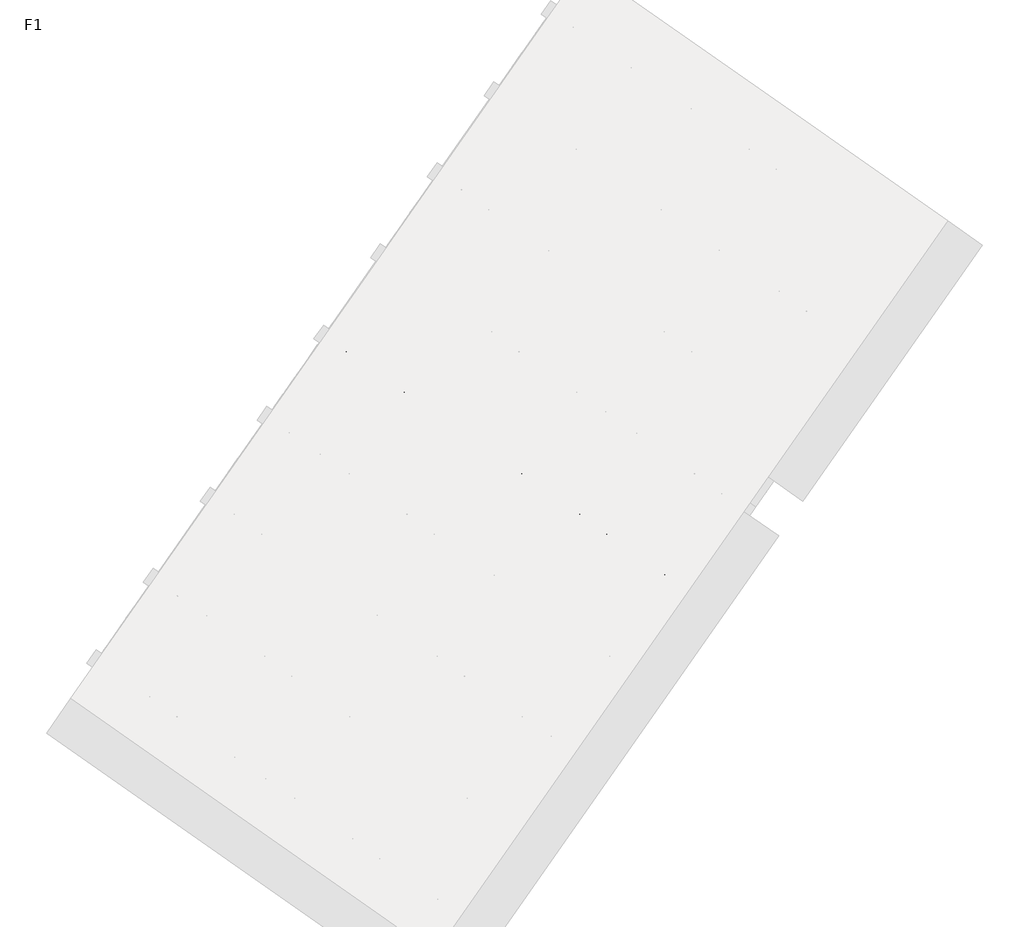
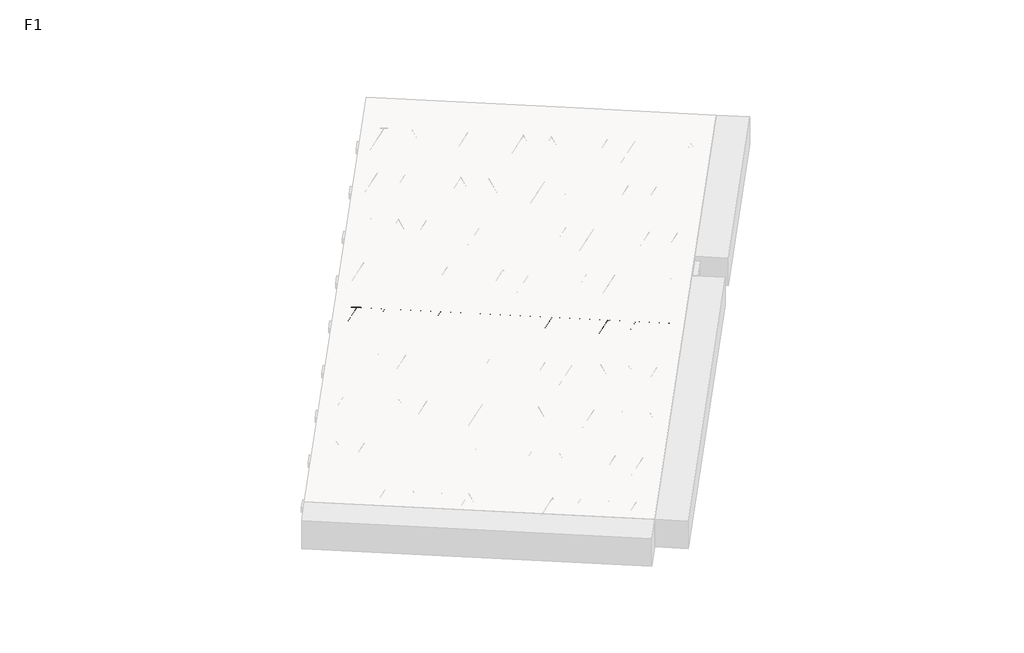
# One storey, part 9 of 30: 1 beam.
"""IFC4 building model written with IfcOpenShell, lengths in millimetres."""

import ifcopenshell
import ifcopenshell.guid

model = None  # the IFC model being written
_history = None  # IfcOwnerHistory: only IFC2X3 demands one
_inside = {}  # id of a spatial element -> (the spatial element, [elements in it])
_under = {}  # id of a project, library or spatial element -> (it, [spatial elements below it])
_declared = {}  # id of a project -> (the project, [libraries it declares])
_typed = {}  # id of a type object -> (the type object, [elements of that type])
_made_of = {}  # id of a material, layer set ... -> (it, [elements and type objects made of it])


def new_model(schema):
    """Start an empty IFC model of exactly this schema.

    Asked for "IFC4X3", IfcOpenShell would pick the latest addendum, in which some entities
    have other attributes; the version numbers below select the first issue.
    IFC2X3 requires an IfcOwnerHistory on every rooted entity: one is made here for all.
    """
    global model, _history
    if schema == "IFC4X3":
        model = ifcopenshell.file(schema_version=(4, 3, 0, 0))
    else:
        model = ifcopenshell.file(schema=schema)
    _inside.clear()
    _under.clear()
    _declared.clear()
    _typed.clear()
    _made_of.clear()
    _history = None
    if model.schema == "IFC2X3":
        org = make("IfcOrganization", Name="unknown")
        user = make(
            "IfcPersonAndOrganization",
            ThePerson=make("IfcPerson", FamilyName="unknown"),
            TheOrganization=org,
        )
        app = make(
            "IfcApplication",
            ApplicationDeveloper=org,
            Version="unknown",
            ApplicationFullName="unknown",
            ApplicationIdentifier="unknown",
        )
        _history = make(
            "IfcOwnerHistory",
            OwningUser=user,
            OwningApplication=app,
            ChangeAction="ADDED",
            CreationDate=0,
        )
    return model


def make(cls, **values):
    """One entity of the class cls with the attributes given. An attribute that is None is left unset."""
    return model.create_entity(
        cls, **{name: value for name, value in values.items() if value is not None}
    )


def rooted(cls, **values):
    """An entity with a GlobalId (a new one), such as an element, a storey or a relation."""
    return make(cls, GlobalId=ifcopenshell.guid.new(), OwnerHistory=_history, **values)


def si_unit(unit_type, name, prefix=None):
    """IfcSIUnit, for example si_unit("LENGTHUNIT", "METRE", prefix="MILLI")."""
    return make("IfcSIUnit", UnitType=unit_type, Prefix=prefix, Name=name)


def assignment(units):
    """IfcUnitAssignment: the units of a project."""
    return None if units is None else make("IfcUnitAssignment", Units=units)


def point(xyz):
    """IfcCartesianPoint."""
    return None if xyz is None else make("IfcCartesianPoint", Coordinates=xyz)


def direction(xyz):
    """IfcDirection."""
    return None if xyz is None else make("IfcDirection", DirectionRatios=xyz)


def frame(location, z_axis=None, x_axis=None):
    """IfcAxis2Placement3D, a coordinate frame: its origin and axes. An axis left out is left unset."""
    return make(
        "IfcAxis2Placement3D",
        Location=point(location),
        Axis=direction(z_axis),
        RefDirection=direction(x_axis),
    )


def frame_2d(location, x_axis=None):
    """IfcAxis2Placement2D, a coordinate frame in the plane: its origin and x axis."""
    return make(
        "IfcAxis2Placement2D", Location=point(location), RefDirection=direction(x_axis)
    )


def origin():
    """The frame at (0, 0, 0) with its axes left unset."""
    return frame((0.0, 0.0, 0.0))


def origin_2d():
    """The frame at (0, 0) in the plane with its x axis left unset."""
    return frame_2d((0.0, 0.0))


def place(relative_to, where):
    """IfcLocalPlacement: puts the frame where relative to a parent placement (None: the world)."""
    return make(
        "IfcLocalPlacement", PlacementRelTo=relative_to, RelativePlacement=where
    )


def context(
    kind, dimensions, precision=None, world=None, true_north=None, identifier=None
):
    """IfcGeometricRepresentationContext, for example the 3D "Model" context."""
    return make(
        "IfcGeometricRepresentationContext",
        ContextIdentifier=identifier,
        ContextType=kind,
        CoordinateSpaceDimension=dimensions,
        Precision=precision,
        WorldCoordinateSystem=world,
        TrueNorth=true_north,
    )


def project(units=None, contexts=None):
    """IfcProject with its units and contexts."""
    return rooted(
        "IfcProject",
        Name="project",
        RepresentationContexts=contexts,
        UnitsInContext=assignment(units),
    )


def spatial(cls, under=None, at=None, **own):
    """A site, building, storey or space (cls), placed at a placement, below another one or the project."""
    s = rooted(cls, ObjectPlacement=at, **own)
    if under is not None:
        _under.setdefault(under.id(), (under, []))[1].append(s)
    return s


def circle_curve(where, radius):
    """IfcCircle in the frame where."""
    return make("IfcCircle", Position=where, Radius=radius)


def trimmed(basis, trim1, trim2, sense, master):
    """IfcTrimmedCurve: the piece of a basis curve between two trims."""
    return make(
        "IfcTrimmedCurve",
        BasisCurve=basis,
        Trim1=trim1,
        Trim2=trim2,
        SenseAgreement=sense,
        MasterRepresentation=master,
    )


def segment(curve, same_sense, transition):
    """IfcCompositeCurveSegment."""
    return make(
        "IfcCompositeCurveSegment",
        Transition=transition,
        SameSense=same_sense,
        ParentCurve=curve,
    )


def composite_curve(segments, self_intersect=None):
    """IfcCompositeCurve: segments joined end to end."""
    return make("IfcCompositeCurve", Segments=segments, SelfIntersect=self_intersect)


def outline(outer, holes=None, kind="AREA"):
    """IfcArbitraryClosedProfileDef: a profile drawn as a closed curve; with holes, ...WithVoids."""
    if holes is None:
        return make("IfcArbitraryClosedProfileDef", ProfileType=kind, OuterCurve=outer)
    return make(
        "IfcArbitraryProfileDefWithVoids",
        ProfileType=kind,
        OuterCurve=outer,
        InnerCurves=holes,
    )


def extrude(swept, where, along, depth):
    """IfcExtrudedAreaSolid: the profile swept, set in the frame where, extruded along a direction by depth."""
    return make(
        "IfcExtrudedAreaSolid",
        SweptArea=swept,
        Position=where,
        ExtrudedDirection=direction(along),
        Depth=depth,
    )


def shape(context_of_items, identifier, shape_type, items):
    """IfcShapeRepresentation: the items that make up one representation, for example the "Body"."""
    return make(
        "IfcShapeRepresentation",
        ContextOfItems=context_of_items,
        RepresentationIdentifier=identifier,
        RepresentationType=shape_type,
        Items=items,
    )


def made_of(thing, what):
    """Note that an element or type object is made of a material, layer set ...; save() writes the relation."""
    if what is not None:
        _made_of.setdefault(what.id(), (what, []))[1].append(thing)
    return thing


def element(
    cls,
    number,
    at=None,
    inside=None,
    cuts=None,
    type_object=None,
    material=None,
    context=None,
    identifier="Body",
    shape_type=None,
    held_by="IfcProductDefinitionShape",
    body=None,
    shapes=None,
    **own,
):
    """One element of the class cls, such as IfcWall. Its Tag is "e" and its number.

    at: its placement. inside: the storey or other place that contains it. cuts: it is an
    opening in that element (IfcRelVoidsElement). A single representation is given by context,
    identifier, shape_type and body (its items); several are given by shapes. held_by: the class
    of the entity that holds the representations. save() writes the other relations.
    """
    e = rooted(cls, Tag="e%d" % number, ObjectPlacement=at, **own)
    if body is not None:
        shapes = [shape(context, identifier, shape_type, body)]
    if shapes is not None:
        e.Representation = make(held_by, Representations=shapes)
    if inside is not None:
        _inside.setdefault(inside.id(), (inside, []))[1].append(e)
    if cuts is not None:
        rooted(
            "IfcRelVoidsElement", RelatingBuildingElement=cuts, RelatedOpeningElement=e
        )
    if type_object is not None:
        _typed.setdefault(type_object.id(), (type_object, []))[1].append(e)
    return made_of(e, material)


def aggregate(whole, parts):
    """IfcRelAggregates: a whole, such as a stair, and the parts it consists of."""
    return rooted("IfcRelAggregates", RelatingObject=whole, RelatedObjects=parts)


def save(model, path):
    """Write the relations noted so far, then the file.

    IfcRelAggregates (storeys below a building ...), IfcRelContainedInSpatialStructure (elements
    in a storey), IfcRelDefinesByType, IfcRelAssociatesMaterial and IfcRelDeclares: one each for
    every whole, place, type object, material and project.
    """
    for whole, parts in _under.values():
        aggregate(whole, parts)
    for where, things in _inside.values():
        rooted(
            "IfcRelContainedInSpatialStructure",
            RelatedElements=things,
            RelatingStructure=where,
        )
    for kind, things in _typed.values():
        rooted("IfcRelDefinesByType", RelatedObjects=things, RelatingType=kind)
    for what, things in _made_of.values():
        rooted("IfcRelAssociatesMaterial", RelatedObjects=things, RelatingMaterial=what)
    for by, libraries in _declared.values():
        rooted("IfcRelDeclares", RelatingContext=by, RelatedDefinitions=libraries)
    model.write(path)


model = new_model("IFC4")

# Units and contexts
model_context = context("Model", 3, world=origin())
ifc_project = project(units=[si_unit("LENGTHUNIT", "METRE", prefix="MILLI")], contexts=[model_context])

# Site, building, storey
site = spatial("IfcSite", under=ifc_project)
building = spatial("IfcBuilding", under=site)
storey = spatial("IfcBuildingStorey", under=building, Name="F1", Elevation=99520.0)

# Beam
placement = place(None, origin())
element("IfcBeam", 1, at=placement, inside=storey, context=model_context, shape_type="SweptSolid", body=[
    extrude(outline(composite_curve([segment(trimmed(circle_curve(origin_2d(), 2.5), [point((-2.5, 0.0))], [point((2.5, 0.0))], False, "CARTESIAN"), True, "CONTINUOUS"), segment(trimmed(circle_curve(origin_2d(), 2.5), [point((2.5, 0.0))], [point((-2.5, 0.0))], False, "CARTESIAN"), True, "CONTINUOUS")], self_intersect=False)), frame((8675.1774688, -3371.2852147, 99745.0), z_axis=(-0.8191520442696126, 0.5735764363787226, 0.0), x_axis=(0.5735764363787226, 0.8191520442696126, 0.0)), (0.0, 0.0, 1.0), 3192.0),
    extrude(outline(composite_curve([segment(trimmed(circle_curve(origin_2d(), 2.5), [point((-2.5, 0.0))], [point((2.5000001, 0.0))], False, "CARTESIAN"), True, "CONTINUOUS"), segment(trimmed(circle_curve(origin_2d(), 2.5), [point((2.5000001, 0.0))], [point((-2.5, 0.0))], False, "CARTESIAN"), True, "CONTINUOUS")], self_intersect=False)), frame((8555.751221, -3243.7141705, 99970.0), z_axis=(-0.8191520442696126, 0.5735764363787226, 0.0), x_axis=(0.5735764363787226, 0.8191520442696126, 0.0)), (0.0, 0.0, 1.0), 2850.0),
    extrude(outline(composite_curve([segment(trimmed(circle_curve(origin_2d(), 2.5), [point((-2.5, 0.0))], [point((2.5, 0.0))], False, "CARTESIAN"), True, "CONTINUOUS"), segment(trimmed(circle_curve(origin_2d(), 2.5), [point((2.5, 0.0))], [point((-2.5, 0.0))], False, "CARTESIAN"), True, "CONTINUOUS")], self_intersect=False)), frame((8596.5388726, -3316.2218768, 99745.0), z_axis=(-0.3145304735701046, 0.38933448886848654, 0.8657304643902053), x_axis=(0.7778747638402499, 0.6284193279813057, 0.0)), (0.0, 0.0, 1.0), 259.8961331),
    extrude(outline(composite_curve([segment(trimmed(circle_curve(origin_2d(), 2.5), [point((2.5, 0.0))], [point((-2.5, 0.0))], False, "CARTESIAN"), True, "CONTINUOUS"), segment(trimmed(circle_curve(origin_2d(), 2.5), [point((-2.5, 0.0))], [point((2.5, 0.0))], False, "CARTESIAN"), True, "CONTINUOUS")], self_intersect=False)), frame((8391.7508615, -3172.8277677, 99745.0), z_axis=(0.47343050384693375, -0.16240172737369005, 0.8657304643902051), x_axis=(-0.3244721671091268, -0.9458952440791246, 0.0)), (0.0, 0.0, 1.0), 259.8961331),
    extrude(outline(composite_curve([segment(trimmed(circle_curve(origin_2d(), 2.5), [point((-2.5, 0.0))], [point((2.5, 0.0))], False, "CARTESIAN"), True, "CONTINUOUS"), segment(trimmed(circle_curve(origin_2d(), 2.5), [point((2.5, 0.0))], [point((-2.5, 0.0))], False, "CARTESIAN"), True, "CONTINUOUS")], self_intersect=False)), frame((8391.7508615, -3172.8277677, 99745.0), z_axis=(-0.3145304735701046, 0.38933448886848654, 0.8657304643902053), x_axis=(0.7778747638402499, 0.6284193279813057, 0.0)), (0.0, 0.0, 1.0), 259.8961331),
    extrude(outline(composite_curve([segment(trimmed(circle_curve(origin_2d(), 2.5), [point((2.5, 0.0))], [point((-2.5, 1e-07))], False, "CARTESIAN"), True, "CONTINUOUS"), segment(trimmed(circle_curve(origin_2d(), 2.5), [point((-2.5, 1e-07))], [point((2.5, 0.0))], False, "CARTESIAN"), True, "CONTINUOUS")], self_intersect=False)), frame((8186.9628504, -3029.4336586, 99745.0), z_axis=(0.47343050384693375, -0.16240172737369005, 0.8657304643902051), x_axis=(-0.3244721671091268, -0.9458952440791246, 0.0)), (0.0, 0.0, 1.0), 259.8961331),
    extrude(outline(composite_curve([segment(trimmed(circle_curve(origin_2d(), 2.5), [point((-2.5, 0.0))], [point((2.5, 0.0))], False, "CARTESIAN"), True, "CONTINUOUS"), segment(trimmed(circle_curve(origin_2d(), 2.5), [point((2.5, 0.0))], [point((-2.5, 0.0))], False, "CARTESIAN"), True, "CONTINUOUS")], self_intersect=False)), frame((8186.9628504, -3029.4336586, 99745.0), z_axis=(-0.3145304735701046, 0.38933448886848654, 0.8657304643902053), x_axis=(0.7778747638402499, 0.6284193279813057, 0.0)), (0.0, 0.0, 1.0), 259.8961331),
    extrude(outline(composite_curve([segment(trimmed(circle_curve(origin_2d(), 2.5), [point((2.5, 0.0))], [point((-2.5, 0.0))], False, "CARTESIAN"), True, "CONTINUOUS"), segment(trimmed(circle_curve(origin_2d(), 2.5), [point((-2.5, 0.0))], [point((2.5, 0.0))], False, "CARTESIAN"), True, "CONTINUOUS")], self_intersect=False)), frame((7982.1748394, -2886.0395495, 99745.0), z_axis=(0.47343050384693375, -0.16240172737369005, 0.8657304643902051), x_axis=(-0.3244721671091268, -0.9458952440791246, 0.0)), (0.0, 0.0, 1.0), 259.8961331),
    extrude(outline(composite_curve([segment(trimmed(circle_curve(origin_2d(), 2.5), [point((-2.5, 0.0))], [point((2.5, 0.0))], False, "CARTESIAN"), True, "CONTINUOUS"), segment(trimmed(circle_curve(origin_2d(), 2.5), [point((2.5, 0.0))], [point((-2.5, 0.0))], False, "CARTESIAN"), True, "CONTINUOUS")], self_intersect=False)), frame((7982.1748394, -2886.0395495, 99745.0), z_axis=(-0.3145304735701046, 0.38933448886848654, 0.8657304643902053), x_axis=(0.7778747638402499, 0.6284193279813057, 0.0)), (0.0, 0.0, 1.0), 259.8961331),
    extrude(outline(composite_curve([segment(trimmed(circle_curve(origin_2d(), 2.5), [point((2.5, 0.0))], [point((-2.5, 0.0))], False, "CARTESIAN"), True, "CONTINUOUS"), segment(trimmed(circle_curve(origin_2d(), 2.5), [point((-2.5, 0.0))], [point((2.5, 0.0))], False, "CARTESIAN"), True, "CONTINUOUS")], self_intersect=False)), frame((7777.3868283, -2742.6454404, 99745.0), z_axis=(0.47343050384693375, -0.16240172737369005, 0.8657304643902051), x_axis=(-0.3244721671091268, -0.9458952440791246, 0.0)), (0.0, 0.0, 1.0), 259.8961331),
    extrude(outline(composite_curve([segment(trimmed(circle_curve(origin_2d(), 2.5), [point((-2.5, 0.0))], [point((2.5, 0.0))], False, "CARTESIAN"), True, "CONTINUOUS"), segment(trimmed(circle_curve(origin_2d(), 2.5), [point((2.5, 0.0))], [point((-2.5, 0.0))], False, "CARTESIAN"), True, "CONTINUOUS")], self_intersect=False)), frame((7777.3868283, -2742.6454404, 99745.0), z_axis=(-0.3145304735701046, 0.38933448886848654, 0.8657304643902053), x_axis=(0.7778747638402499, 0.6284193279813057, 0.0)), (0.0, 0.0, 1.0), 259.8961331),
    extrude(outline(composite_curve([segment(trimmed(circle_curve(origin_2d(), 2.5), [point((2.5, 0.0))], [point((-2.5, 1e-07))], False, "CARTESIAN"), True, "CONTINUOUS"), segment(trimmed(circle_curve(origin_2d(), 2.5), [point((-2.5, 1e-07))], [point((2.5, 0.0))], False, "CARTESIAN"), True, "CONTINUOUS")], self_intersect=False)), frame((7572.5988172, -2599.2513313, 99745.0), z_axis=(0.47343050384693375, -0.16240172737369005, 0.8657304643902051), x_axis=(-0.3244721671091268, -0.9458952440791246, 0.0)), (0.0, 0.0, 1.0), 259.8961331),
    extrude(outline(composite_curve([segment(trimmed(circle_curve(origin_2d(), 2.5), [point((-2.5, 0.0))], [point((2.5, 0.0))], False, "CARTESIAN"), True, "CONTINUOUS"), segment(trimmed(circle_curve(origin_2d(), 2.5), [point((2.5, 0.0))], [point((-2.5, 0.0))], False, "CARTESIAN"), True, "CONTINUOUS")], self_intersect=False)), frame((7572.5988172, -2599.2513313, 99745.0), z_axis=(-0.3145304735701046, 0.38933448886848654, 0.8657304643902053), x_axis=(0.7778747638402499, 0.6284193279813057, 0.0)), (0.0, 0.0, 1.0), 259.8961331),
    extrude(outline(composite_curve([segment(trimmed(circle_curve(origin_2d(), 2.5), [point((2.5, 0.0))], [point((-2.5, 0.0))], False, "CARTESIAN"), True, "CONTINUOUS"), segment(trimmed(circle_curve(origin_2d(), 2.5), [point((-2.5, 0.0))], [point((2.5, 0.0))], False, "CARTESIAN"), True, "CONTINUOUS")], self_intersect=False)), frame((7367.8108062, -2455.8572222, 99745.0), z_axis=(0.47343050384693375, -0.16240172737369005, 0.8657304643902051), x_axis=(-0.3244721671091268, -0.9458952440791246, 0.0)), (0.0, 0.0, 1.0), 259.8961331),
    extrude(outline(composite_curve([segment(trimmed(circle_curve(origin_2d(), 2.5), [point((-2.5, 0.0))], [point((2.5, 0.0))], False, "CARTESIAN"), True, "CONTINUOUS"), segment(trimmed(circle_curve(origin_2d(), 2.5), [point((2.5, 0.0))], [point((-2.5, 0.0))], False, "CARTESIAN"), True, "CONTINUOUS")], self_intersect=False)), frame((7367.8108062, -2455.8572222, 99745.0), z_axis=(-0.3145304735701046, 0.38933448886848654, 0.8657304643902053), x_axis=(0.7778747638402499, 0.6284193279813057, 0.0)), (0.0, 0.0, 1.0), 259.8961331),
    extrude(outline(composite_curve([segment(trimmed(circle_curve(origin_2d(), 2.5), [point((2.5, 0.0))], [point((-2.5, 0.0))], False, "CARTESIAN"), True, "CONTINUOUS"), segment(trimmed(circle_curve(origin_2d(), 2.5), [point((-2.5, 0.0))], [point((2.5, 0.0))], False, "CARTESIAN"), True, "CONTINUOUS")], self_intersect=False)), frame((7163.0227951, -2312.4631131, 99745.0), z_axis=(0.47343050384693375, -0.16240172737369005, 0.8657304643902051), x_axis=(-0.3244721671091268, -0.9458952440791246, 0.0)), (0.0, 0.0, 1.0), 259.8961331),
    extrude(outline(composite_curve([segment(trimmed(circle_curve(origin_2d(), 2.5), [point((-2.5, 0.0))], [point((2.5, 0.0))], False, "CARTESIAN"), True, "CONTINUOUS"), segment(trimmed(circle_curve(origin_2d(), 2.5), [point((2.5, 0.0))], [point((-2.5, 0.0))], False, "CARTESIAN"), True, "CONTINUOUS")], self_intersect=False)), frame((7163.0227951, -2312.4631131, 99745.0), z_axis=(-0.3145304735701046, 0.38933448886848654, 0.8657304643902053), x_axis=(0.7778747638402499, 0.6284193279813057, 0.0)), (0.0, 0.0, 1.0), 259.8961331),
    extrude(outline(composite_curve([segment(trimmed(circle_curve(origin_2d(), 2.5), [point((2.5, 0.0))], [point((-2.5, 1e-07))], False, "CARTESIAN"), True, "CONTINUOUS"), segment(trimmed(circle_curve(origin_2d(), 2.5), [point((-2.5, 1e-07))], [point((2.5, 0.0))], False, "CARTESIAN"), True, "CONTINUOUS")], self_intersect=False)), frame((6958.234784, -2169.069004, 99745.0), z_axis=(0.47343050384693375, -0.16240172737369005, 0.8657304643902051), x_axis=(-0.3244721671091268, -0.9458952440791246, 0.0)), (0.0, 0.0, 1.0), 259.8961331),
    extrude(outline(composite_curve([segment(trimmed(circle_curve(origin_2d(), 2.5), [point((-2.5, 0.0))], [point((2.5, 0.0))], False, "CARTESIAN"), True, "CONTINUOUS"), segment(trimmed(circle_curve(origin_2d(), 2.5), [point((2.5, 0.0))], [point((-2.5, 0.0))], False, "CARTESIAN"), True, "CONTINUOUS")], self_intersect=False)), frame((6958.234784, -2169.069004, 99745.0), z_axis=(-0.3145304735701046, 0.38933448886848654, 0.8657304643902053), x_axis=(0.7778747638402499, 0.6284193279813057, 0.0)), (0.0, 0.0, 1.0), 259.8961331),
    extrude(outline(composite_curve([segment(trimmed(circle_curve(origin_2d(), 2.5), [point((2.5, -1e-07))], [point((-2.5, 0.0))], False, "CARTESIAN"), True, "CONTINUOUS"), segment(trimmed(circle_curve(origin_2d(), 2.5), [point((-2.5, 0.0))], [point((2.5, -1e-07))], False, "CARTESIAN"), True, "CONTINUOUS")], self_intersect=False)), frame((6753.446773, -2025.6748949, 99745.0), z_axis=(0.47343050384693375, -0.16240172737369005, 0.8657304643902051), x_axis=(-0.3244721671091268, -0.9458952440791246, 0.0)), (0.0, 0.0, 1.0), 259.8961331),
    extrude(outline(composite_curve([segment(trimmed(circle_curve(origin_2d(), 2.5), [point((-2.5, -1e-07))], [point((2.5, 0.0))], False, "CARTESIAN"), True, "CONTINUOUS"), segment(trimmed(circle_curve(origin_2d(), 2.5), [point((2.5, 0.0))], [point((-2.5, -1e-07))], False, "CARTESIAN"), True, "CONTINUOUS")], self_intersect=False)), frame((6753.446773, -2025.6748949, 99745.0), z_axis=(-0.3145304735701046, 0.38933448886848654, 0.8657304643902053), x_axis=(0.7778747638402499, 0.6284193279813057, 0.0)), (0.0, 0.0, 1.0), 259.8961331),
    extrude(outline(composite_curve([segment(trimmed(circle_curve(origin_2d(), 2.5), [point((2.5, 0.0))], [point((-2.5, 0.0))], False, "CARTESIAN"), True, "CONTINUOUS"), segment(trimmed(circle_curve(origin_2d(), 2.5), [point((-2.5, 0.0))], [point((2.5, 0.0))], False, "CARTESIAN"), True, "CONTINUOUS")], self_intersect=False)), frame((6548.6587619, -1882.2807858, 99745.0), z_axis=(0.47343050384693375, -0.16240172737369005, 0.8657304643902051), x_axis=(-0.3244721671091268, -0.9458952440791246, 0.0)), (0.0, 0.0, 1.0), 259.8961331),
    extrude(outline(composite_curve([segment(trimmed(circle_curve(origin_2d(), 2.5), [point((-2.5, -1e-07))], [point((2.5, 0.0))], False, "CARTESIAN"), True, "CONTINUOUS"), segment(trimmed(circle_curve(origin_2d(), 2.5), [point((2.5, 0.0))], [point((-2.5, -1e-07))], False, "CARTESIAN"), True, "CONTINUOUS")], self_intersect=False)), frame((6548.6587619, -1882.2807858, 99745.0), z_axis=(-0.3145304735701046, 0.38933448886848654, 0.8657304643902053), x_axis=(0.7778747638402499, 0.6284193279813057, 0.0)), (0.0, 0.0, 1.0), 259.8961331),
    extrude(outline(composite_curve([segment(trimmed(circle_curve(origin_2d(), 2.5), [point((2.5000001, 0.0))], [point((-2.5, 0.0))], False, "CARTESIAN"), True, "CONTINUOUS"), segment(trimmed(circle_curve(origin_2d(), 2.5), [point((-2.5, 0.0))], [point((2.5000001, 0.0))], False, "CARTESIAN"), True, "CONTINUOUS")], self_intersect=False)), frame((6343.8707508, -1738.8866767, 99745.0), z_axis=(0.47343050384693375, -0.16240172737369005, 0.8657304643902051), x_axis=(-0.3244721671091268, -0.9458952440791246, 0.0)), (0.0, 0.0, 1.0), 259.8961331),
    extrude(outline(composite_curve([segment(trimmed(circle_curve(origin_2d(), 2.5), [point((-2.5, -1e-07))], [point((2.5, 0.0))], False, "CARTESIAN"), True, "CONTINUOUS"), segment(trimmed(circle_curve(origin_2d(), 2.5), [point((2.5, 0.0))], [point((-2.5, -1e-07))], False, "CARTESIAN"), True, "CONTINUOUS")], self_intersect=False)), frame((6343.8707508, -1738.8866767, 99745.0), z_axis=(-0.3145304735701046, 0.38933448886848654, 0.8657304643902053), x_axis=(0.7778747638402499, 0.6284193279813057, 0.0)), (0.0, 0.0, 1.0), 259.8961331),
    extrude(outline(composite_curve([segment(trimmed(circle_curve(origin_2d(), 2.5), [point((2.5000001, 0.0))], [point((-2.5, 0.0))], False, "CARTESIAN"), True, "CONTINUOUS"), segment(trimmed(circle_curve(origin_2d(), 2.5), [point((-2.5, 0.0))], [point((2.5000001, 0.0))], False, "CARTESIAN"), True, "CONTINUOUS")], self_intersect=False)), frame((6139.0827398, -1595.4925676, 99745.0), z_axis=(0.47343050384693375, -0.16240172737369005, 0.8657304643902051), x_axis=(-0.3244721671091268, -0.9458952440791246, 0.0)), (0.0, 0.0, 1.0), 259.8961331),
    extrude(outline(composite_curve([segment(trimmed(circle_curve(origin_2d(), 2.5), [point((-2.5, 0.0))], [point((2.5, 0.0))], False, "CARTESIAN"), True, "CONTINUOUS"), segment(trimmed(circle_curve(origin_2d(), 2.5), [point((2.5, 0.0))], [point((-2.5, 0.0))], False, "CARTESIAN"), True, "CONTINUOUS")], self_intersect=False)), frame((8716.4749722, -3312.3062675, 99745.0), z_axis=(-0.8191520442696126, 0.5735764363787226, 0.0), x_axis=(0.5735764363787226, 0.8191520442696126, 0.0)), (0.0, 0.0, 1.0), 3192.0),
    extrude(outline(composite_curve([segment(trimmed(circle_curve(origin_2d(), 2.5), [point((-2.5, 0.0))], [point((2.5, 0.0))], False, "CARTESIAN"), True, "CONTINUOUS"), segment(trimmed(circle_curve(origin_2d(), 2.5), [point((2.5, 0.0))], [point((-2.5, 0.0))], False, "CARTESIAN"), True, "CONTINUOUS")], self_intersect=False)), frame((8637.836376, -3257.2429296, 99745.0), z_axis=(-0.47343050384693375, 0.16240172737369005, 0.8657304643902051), x_axis=(0.3244721671091268, 0.9458952440791246, 0.0)), (0.0, 0.0, 1.0), 259.8961331),
    extrude(outline(composite_curve([segment(trimmed(circle_curve(origin_2d(), 2.5), [point((2.5, 0.0))], [point((-2.5, 0.0))], False, "CARTESIAN"), True, "CONTINUOUS"), segment(trimmed(circle_curve(origin_2d(), 2.5), [point((-2.5, 0.0))], [point((2.5, 0.0))], False, "CARTESIAN"), True, "CONTINUOUS")], self_intersect=False)), frame((8433.0483649, -3113.8488205, 99745.0), z_axis=(0.3145304735701046, -0.38933448886848654, 0.8657304643902053), x_axis=(-0.7778747638402499, -0.6284193279813057, 0.0)), (0.0, 0.0, 1.0), 259.8961331),
    extrude(outline(composite_curve([segment(trimmed(circle_curve(origin_2d(), 2.5), [point((-2.5, 0.0))], [point((2.5, 0.0))], False, "CARTESIAN"), True, "CONTINUOUS"), segment(trimmed(circle_curve(origin_2d(), 2.5), [point((2.5, 0.0))], [point((-2.5, 0.0))], False, "CARTESIAN"), True, "CONTINUOUS")], self_intersect=False)), frame((8433.0483649, -3113.8488205, 99745.0), z_axis=(-0.47343050384693375, 0.16240172737369005, 0.8657304643902051), x_axis=(0.3244721671091268, 0.9458952440791246, 0.0)), (0.0, 0.0, 1.0), 259.8961331),
    extrude(outline(composite_curve([segment(trimmed(circle_curve(origin_2d(), 2.5), [point((2.5000001, -1e-07))], [point((-2.5, 0.0))], False, "CARTESIAN"), True, "CONTINUOUS"), segment(trimmed(circle_curve(origin_2d(), 2.5), [point((-2.5, 0.0))], [point((2.5000001, -1e-07))], False, "CARTESIAN"), True, "CONTINUOUS")], self_intersect=False)), frame((8228.2603539, -2970.4547114, 99745.0), z_axis=(0.3145304735701046, -0.38933448886848654, 0.8657304643902053), x_axis=(-0.7778747638402499, -0.6284193279813057, 0.0)), (0.0, 0.0, 1.0), 259.8961331),
    extrude(outline(composite_curve([segment(trimmed(circle_curve(origin_2d(), 2.5), [point((-2.5, 1e-07))], [point((2.5, 0.0))], False, "CARTESIAN"), True, "CONTINUOUS"), segment(trimmed(circle_curve(origin_2d(), 2.5), [point((2.5, 0.0))], [point((-2.5, 1e-07))], False, "CARTESIAN"), True, "CONTINUOUS")], self_intersect=False)), frame((8228.2603539, -2970.4547114, 99745.0), z_axis=(-0.47343050384693375, 0.16240172737369005, 0.8657304643902051), x_axis=(0.3244721671091268, 0.9458952440791246, 0.0)), (0.0, 0.0, 1.0), 259.8961331),
    extrude(outline(composite_curve([segment(trimmed(circle_curve(origin_2d(), 2.5), [point((2.5, 0.0))], [point((-2.5, 0.0))], False, "CARTESIAN"), True, "CONTINUOUS"), segment(trimmed(circle_curve(origin_2d(), 2.5), [point((-2.5, 0.0))], [point((2.5, 0.0))], False, "CARTESIAN"), True, "CONTINUOUS")], self_intersect=False)), frame((8023.4723428, -2827.0606023, 99745.0), z_axis=(0.3145304735701046, -0.38933448886848654, 0.8657304643902053), x_axis=(-0.7778747638402499, -0.6284193279813057, 0.0)), (0.0, 0.0, 1.0), 259.8961331),
    extrude(outline(composite_curve([segment(trimmed(circle_curve(origin_2d(), 2.5), [point((-2.5, 0.0))], [point((2.5, 0.0))], False, "CARTESIAN"), True, "CONTINUOUS"), segment(trimmed(circle_curve(origin_2d(), 2.5), [point((2.5, 0.0))], [point((-2.5, 0.0))], False, "CARTESIAN"), True, "CONTINUOUS")], self_intersect=False)), frame((8023.4723428, -2827.0606023, 99745.0), z_axis=(-0.47343050384693375, 0.16240172737369005, 0.8657304643902051), x_axis=(0.3244721671091268, 0.9458952440791246, 0.0)), (0.0, 0.0, 1.0), 259.8961331),
    extrude(outline(composite_curve([segment(trimmed(circle_curve(origin_2d(), 2.5), [point((2.5, 0.0))], [point((-2.5, 0.0))], False, "CARTESIAN"), True, "CONTINUOUS"), segment(trimmed(circle_curve(origin_2d(), 2.5), [point((-2.5, 0.0))], [point((2.5, 0.0))], False, "CARTESIAN"), True, "CONTINUOUS")], self_intersect=False)), frame((7818.6843317, -2683.6664932, 99745.0), z_axis=(0.3145304735701046, -0.38933448886848654, 0.8657304643902053), x_axis=(-0.7778747638402499, -0.6284193279813057, 0.0)), (0.0, 0.0, 1.0), 259.8961331),
    extrude(outline(composite_curve([segment(trimmed(circle_curve(origin_2d(), 2.5), [point((-2.5, 0.0))], [point((2.5, 0.0))], False, "CARTESIAN"), True, "CONTINUOUS"), segment(trimmed(circle_curve(origin_2d(), 2.5), [point((2.5, 0.0))], [point((-2.5, 0.0))], False, "CARTESIAN"), True, "CONTINUOUS")], self_intersect=False)), frame((7818.6843317, -2683.6664932, 99745.0), z_axis=(-0.47343050384693375, 0.16240172737369005, 0.8657304643902051), x_axis=(0.3244721671091268, 0.9458952440791246, 0.0)), (0.0, 0.0, 1.0), 259.8961331),
    extrude(outline(composite_curve([segment(trimmed(circle_curve(origin_2d(), 2.5), [point((2.5000001, -1e-07))], [point((-2.5, 0.0))], False, "CARTESIAN"), True, "CONTINUOUS"), segment(trimmed(circle_curve(origin_2d(), 2.5), [point((-2.5, 0.0))], [point((2.5000001, -1e-07))], False, "CARTESIAN"), True, "CONTINUOUS")], self_intersect=False)), frame((7613.8963207, -2540.2723841, 99745.0), z_axis=(0.3145304735701046, -0.38933448886848654, 0.8657304643902053), x_axis=(-0.7778747638402499, -0.6284193279813057, 0.0)), (0.0, 0.0, 1.0), 259.8961331),
    extrude(outline(composite_curve([segment(trimmed(circle_curve(origin_2d(), 2.5), [point((-2.5, 1e-07))], [point((2.5, 0.0))], False, "CARTESIAN"), True, "CONTINUOUS"), segment(trimmed(circle_curve(origin_2d(), 2.5), [point((2.5, 0.0))], [point((-2.5, 1e-07))], False, "CARTESIAN"), True, "CONTINUOUS")], self_intersect=False)), frame((7613.8963207, -2540.2723841, 99745.0), z_axis=(-0.47343050384693375, 0.16240172737369005, 0.8657304643902051), x_axis=(0.3244721671091268, 0.9458952440791246, 0.0)), (0.0, 0.0, 1.0), 259.8961331),
    extrude(outline(composite_curve([segment(trimmed(circle_curve(origin_2d(), 2.5), [point((2.5, 0.0))], [point((-2.5, 0.0))], False, "CARTESIAN"), True, "CONTINUOUS"), segment(trimmed(circle_curve(origin_2d(), 2.5), [point((-2.5, 0.0))], [point((2.5, 0.0))], False, "CARTESIAN"), True, "CONTINUOUS")], self_intersect=False)), frame((7409.1083096, -2396.878275, 99745.0), z_axis=(0.3145304735701046, -0.38933448886848654, 0.8657304643902053), x_axis=(-0.7778747638402499, -0.6284193279813057, 0.0)), (0.0, 0.0, 1.0), 259.8961331),
    extrude(outline(composite_curve([segment(trimmed(circle_curve(origin_2d(), 2.5), [point((-2.5, 0.0))], [point((2.5, 0.0))], False, "CARTESIAN"), True, "CONTINUOUS"), segment(trimmed(circle_curve(origin_2d(), 2.5), [point((2.5, 0.0))], [point((-2.5, 0.0))], False, "CARTESIAN"), True, "CONTINUOUS")], self_intersect=False)), frame((7409.1083096, -2396.878275, 99745.0), z_axis=(-0.47343050384693375, 0.16240172737369005, 0.8657304643902051), x_axis=(0.3244721671091268, 0.9458952440791246, 0.0)), (0.0, 0.0, 1.0), 259.8961331),
    extrude(outline(composite_curve([segment(trimmed(circle_curve(origin_2d(), 2.5), [point((2.5, 1e-07))], [point((-2.5, 0.0))], False, "CARTESIAN"), True, "CONTINUOUS"), segment(trimmed(circle_curve(origin_2d(), 2.5), [point((-2.5, 0.0))], [point((2.5, 1e-07))], False, "CARTESIAN"), True, "CONTINUOUS")], self_intersect=False)), frame((7204.3202985, -2253.4841659, 99745.0), z_axis=(0.3145304735701046, -0.38933448886848654, 0.8657304643902053), x_axis=(-0.7778747638402499, -0.6284193279813057, 0.0)), (0.0, 0.0, 1.0), 259.8961331),
    extrude(outline(composite_curve([segment(trimmed(circle_curve(origin_2d(), 2.5), [point((-2.5, 0.0))], [point((2.5, 0.0))], False, "CARTESIAN"), True, "CONTINUOUS"), segment(trimmed(circle_curve(origin_2d(), 2.5), [point((2.5, 0.0))], [point((-2.5, 0.0))], False, "CARTESIAN"), True, "CONTINUOUS")], self_intersect=False)), frame((7204.3202985, -2253.4841659, 99745.0), z_axis=(-0.47343050384693375, 0.16240172737369005, 0.8657304643902051), x_axis=(0.3244721671091268, 0.9458952440791246, 0.0)), (0.0, 0.0, 1.0), 259.8961331),
    extrude(outline(composite_curve([segment(trimmed(circle_curve(origin_2d(), 2.5), [point((2.5000001, 0.0))], [point((-2.5, 0.0))], False, "CARTESIAN"), True, "CONTINUOUS"), segment(trimmed(circle_curve(origin_2d(), 2.5), [point((-2.5, 0.0))], [point((2.5000001, 0.0))], False, "CARTESIAN"), True, "CONTINUOUS")], self_intersect=False)), frame((6999.5322875, -2110.0900568, 99745.0), z_axis=(0.3145304735701046, -0.38933448886848654, 0.8657304643902053), x_axis=(-0.7778747638402499, -0.6284193279813057, 0.0)), (0.0, 0.0, 1.0), 259.8961331),
    extrude(outline(composite_curve([segment(trimmed(circle_curve(origin_2d(), 2.5), [point((-2.5, 1e-07))], [point((2.5, 0.0))], False, "CARTESIAN"), True, "CONTINUOUS"), segment(trimmed(circle_curve(origin_2d(), 2.5), [point((2.5, 0.0))], [point((-2.5, 1e-07))], False, "CARTESIAN"), True, "CONTINUOUS")], self_intersect=False)), frame((6999.5322875, -2110.0900568, 99745.0), z_axis=(-0.47343050384693375, 0.16240172737369005, 0.8657304643902051), x_axis=(0.3244721671091268, 0.9458952440791246, 0.0)), (0.0, 0.0, 1.0), 259.8961331),
    extrude(outline(composite_curve([segment(trimmed(circle_curve(origin_2d(), 2.5), [point((2.5, 1e-07))], [point((-2.5, 0.0))], False, "CARTESIAN"), True, "CONTINUOUS"), segment(trimmed(circle_curve(origin_2d(), 2.5), [point((-2.5, 0.0))], [point((2.5, 1e-07))], False, "CARTESIAN"), True, "CONTINUOUS")], self_intersect=False)), frame((6794.7442764, -1966.6959477, 99745.0), z_axis=(0.3145304735701046, -0.38933448886848654, 0.8657304643902053), x_axis=(-0.7778747638402499, -0.6284193279813057, 0.0)), (0.0, 0.0, 1.0), 259.8961331),
    extrude(outline(composite_curve([segment(trimmed(circle_curve(origin_2d(), 2.5), [point((-2.5000001, 0.0))], [point((2.5, 0.0))], False, "CARTESIAN"), True, "CONTINUOUS"), segment(trimmed(circle_curve(origin_2d(), 2.5), [point((2.5, 0.0))], [point((-2.5000001, 0.0))], False, "CARTESIAN"), True, "CONTINUOUS")], self_intersect=False)), frame((6794.7442764, -1966.6959477, 99745.0), z_axis=(-0.47343050384693375, 0.16240172737369005, 0.8657304643902051), x_axis=(0.3244721671091268, 0.9458952440791246, 0.0)), (0.0, 0.0, 1.0), 259.8961331),
    extrude(outline(composite_curve([segment(trimmed(circle_curve(origin_2d(), 2.5), [point((2.5, 1e-07))], [point((-2.5, 0.0))], False, "CARTESIAN"), True, "CONTINUOUS"), segment(trimmed(circle_curve(origin_2d(), 2.5), [point((-2.5, 0.0))], [point((2.5, 1e-07))], False, "CARTESIAN"), True, "CONTINUOUS")], self_intersect=False)), frame((6589.9562653, -1823.3018386, 99745.0), z_axis=(0.3145304735701046, -0.38933448886848654, 0.8657304643902053), x_axis=(-0.7778747638402499, -0.6284193279813057, 0.0)), (0.0, 0.0, 1.0), 259.8961331),
    extrude(outline(composite_curve([segment(trimmed(circle_curve(origin_2d(), 2.5), [point((-2.5000001, 0.0))], [point((2.5, 0.0))], False, "CARTESIAN"), True, "CONTINUOUS"), segment(trimmed(circle_curve(origin_2d(), 2.5), [point((2.5, 0.0))], [point((-2.5000001, 0.0))], False, "CARTESIAN"), True, "CONTINUOUS")], self_intersect=False)), frame((6589.9562653, -1823.3018386, 99745.0), z_axis=(-0.47343050384693375, 0.16240172737369005, 0.8657304643902051), x_axis=(0.3244721671091268, 0.9458952440791246, 0.0)), (0.0, 0.0, 1.0), 259.8961331),
    extrude(outline(composite_curve([segment(trimmed(circle_curve(origin_2d(), 2.5), [point((2.5000001, -1e-07))], [point((-2.5, -1e-07))], False, "CARTESIAN"), True, "CONTINUOUS"), segment(trimmed(circle_curve(origin_2d(), 2.5), [point((-2.5, -1e-07))], [point((2.5000001, -1e-07))], False, "CARTESIAN"), True, "CONTINUOUS")], self_intersect=False)), frame((6385.1682543, -1679.9077296, 99745.0), z_axis=(0.3145304735701046, -0.38933448886848654, 0.8657304643902053), x_axis=(-0.7778747638402499, -0.6284193279813057, 0.0)), (0.0, 0.0, 1.0), 259.8961331),
    extrude(outline(composite_curve([segment(trimmed(circle_curve(origin_2d(), 2.5), [point((-2.5, 0.0))], [point((2.5000001, 0.0))], False, "CARTESIAN"), True, "CONTINUOUS"), segment(trimmed(circle_curve(origin_2d(), 2.5), [point((2.5000001, 0.0))], [point((-2.5, 0.0))], False, "CARTESIAN"), True, "CONTINUOUS")], self_intersect=False)), frame((6385.1682542, -1679.9077296, 99745.0), z_axis=(-0.47343050384693375, 0.16240172737369005, 0.8657304643902051), x_axis=(0.3244721671091268, 0.9458952440791246, 0.0)), (0.0, 0.0, 1.0), 259.8961331),
    extrude(outline(composite_curve([segment(trimmed(circle_curve(origin_2d(), 2.5), [point((2.5, 0.0))], [point((-2.5, -1e-07))], False, "CARTESIAN"), True, "CONTINUOUS"), segment(trimmed(circle_curve(origin_2d(), 2.5), [point((-2.5, -1e-07))], [point((2.5, 0.0))], False, "CARTESIAN"), True, "CONTINUOUS")], self_intersect=False)), frame((6180.3802432, -1536.5136205, 99745.0), z_axis=(0.3145304735701046, -0.38933448886848654, 0.8657304643902053), x_axis=(-0.7778747638402499, -0.6284193279813057, 0.0)), (0.0, 0.0, 1.0), 259.8961331),
])

save(model, "model.ifc")
